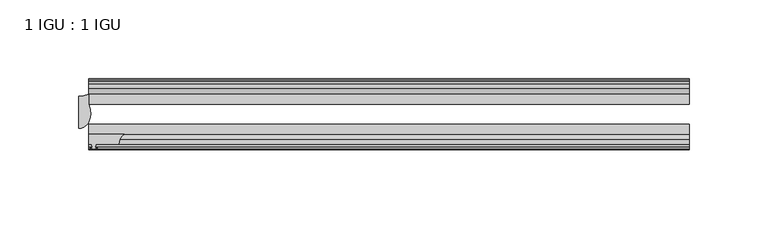
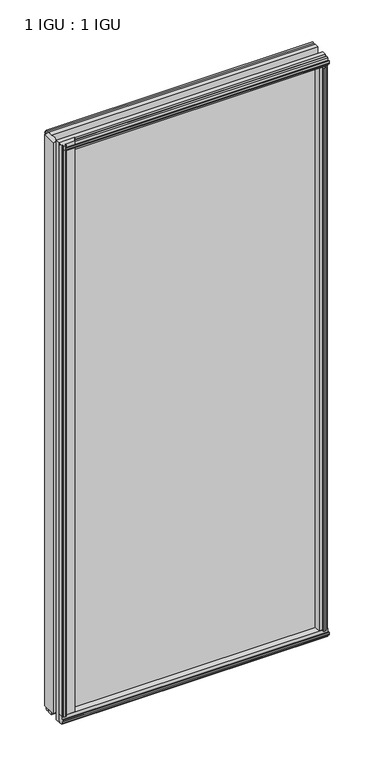
"""IFC4 building model written with IfcOpenShell, lengths in millimetres: plate geometry, 1 IGU : 1 IGU."""

from ifc_helpers import new_model, si_unit, point, frame, frame_2d, origin, origin_with_axes, place, context, project, spatial, polyline, circle_curve, ellipse_curve, trimmed, segment, composite_curve, outline, extrude, source, transform, mapped, element, save
from ifc_brep_helpers import plane_surface, cylinder_surface, revolved_surface, extruded_surface, advanced_brep


def plate_1_igu_1_igu_27563dd9(model_context):
    return source(origin(), model_context, "Body", "SolidModel", [
        extrude(outline(composite_curve([segment(trimmed(circle_curve(frame_2d((-167.1484021, -51.2493858)), 7.4386445), [point((-171.0983314, -44.9460937))], [point((-174.5869, -51.2960937))], True, "CARTESIAN"), True, "CONTINUOUS"), segment(polyline([(-174.5869, -51.2960937), (-189.1919, -51.2960937), (-189.5094, -53.4006957), (-188.3034941, -53.0775742), (-188.3034941, -53.8927506), (-190.4619, -54.4710937), (-192.6203059, -53.8927506), (-192.6203059, -53.0775742), (-191.4144, -53.4006957), (-191.7319, -51.2960937), (-193.6369, -51.2960937), (-193.6369, -44.9460937), (-171.0983314, -44.9460937)]), True, "CONTINUOUS")], self_intersect=False)), origin_with_axes(), (0.0, 0.0, 1.0), 863.5872998),
        extrude(outline(polyline([(173.0011137, -19.5460937), (175.1063908, -13.1960937), (180.3135852, -13.1960937), (180.6945852, -10.8158968), (179.2790562, -11.27583), (179.2790562, -10.4746158), (181.4565852, -9.7670937), (183.6341143, -10.4746158), (183.6341143, -11.27583), (182.2185852, -10.8158968), (182.5995852, -13.1960937), (187.0445852, -13.1960937), (187.0445852, -16.1419073), (184.8315077, -19.5460937), (173.0011137, -19.5460937)])), origin_with_axes(), (0.0, 0.0, 1.0), 850.9),
        extrude(outline(polyline([(-16.1419073, -12.4576852), (-19.5460937, -10.2446077), (-19.5460937, 1.5857863), (-13.1960937, -0.5194908), (-13.1960937, -5.7266852), (-10.8158968, -6.1076852), (-11.27583, -4.6921562), (-10.4746158, -4.6921562), (-9.7670937, -6.8696852), (-10.4746158, -9.0472143), (-11.27583, -9.0472143), (-10.8158968, -7.6316852), (-13.1960937, -8.0126852), (-13.1960937, -12.4576852), (-16.1419073, -12.4576852)])), frame((-193.6369, 0.0, 0.0), z_axis=(1.0, 0.0, 0.0), x_axis=(0.0, 1.0, 0.0)), (0.0, 0.0, 1.0), 380.9238),
        extrude(outline(polyline([(-48.3502802, -11.938), (-51.2960937, -11.938), (-51.2960937, -7.493), (-53.6762907, -7.112), (-53.2163575, -8.5275291), (-54.0175717, -8.5275291), (-54.7250937, -6.35), (-54.0175717, -4.172471), (-53.2163575, -4.172471), (-53.6762907, -5.588), (-51.2960937, -5.207), (-51.2960937, 0.0001944), (-44.9460937, 2.1054715), (-44.9460937, -9.7249225), (-48.3502802, -11.938)])), frame((-193.6369, 0.0, 0.0), z_axis=(1.0, 0.0, 0.0), x_axis=(0.0, 1.0, 0.0)), (0.0, 0.0, 1.0), 380.9238),
        extrude(outline(polyline([(-16.1028367, 863.3576852), (-13.1960937, 863.3576852), (-13.1960937, 858.9126852), (-10.8158968, 858.5316852), (-11.27583, 859.9472143), (-10.4746158, 859.9472143), (-9.7670937, 857.7696852), (-10.4746158, 855.5921562), (-11.27583, 855.5921562), (-10.8158968, 857.0076852), (-13.1960937, 856.6266852), (-13.1960937, 851.3940908), (-19.5460937, 849.2888137), (-19.5460937, 861.1192077), (-16.1028367, 863.3576852)])), frame((-193.6369, 0.0, 0.0), z_axis=(1.0, 0.0, 0.0), x_axis=(0.0, 1.0, 0.0)), (0.0, 0.0, 1.0), 380.9238),
        extrude(outline(polyline([(-48.3893508, 862.8126), (-44.9460937, 860.5741225), (-44.9460937, 848.7437285), (-51.2960937, 850.8490056), (-51.2960937, 856.0816), (-53.6762907, 856.4626), (-53.2163575, 855.047071), (-54.0175717, 855.047071), (-54.7250938, 857.2246), (-54.0175717, 859.4021291), (-53.2163575, 859.4021291), (-53.6762907, 857.9866), (-51.2960937, 858.3676), (-51.2960937, 862.8126), (-48.3893508, 862.8126)])), frame((-193.6369, 0.0, 0.0), z_axis=(1.0, 0.0, 0.0), x_axis=(0.0, 1.0, 0.0)), (0.0, 0.0, 1.0), 380.9238),
        advanced_brep(
        [(-199.9869, -41.2564987, 863.5872998), (-192.4645628, -32.2460937, 863.5872998), (-193.6369, -25.8452937, 863.5872998), (-193.6369, -19.5460937, 863.5872998), (-199.9869, -20.7775816, 863.5872998), (-199.9869, -41.2564987, 0.0), (-199.9869, -20.7775816, 0.0), (-193.6369, -19.5460937, 0.0), (-193.6369, -25.8452937, 0.0), (-192.4645628, -32.2460937, 0.0)],
        [
            (0, 1, ellipse_curve(frame((-199.9869, -32.2460937, 863.5872998), z_axis=(0.0, 0.0, 1.0), x_axis=(0.0, 1.0, 0.0)), 9.010405, 7.5223372)),
            (1, 2, circle_curve(frame((-210.5244763, -32.2460937, 863.5872998), z_axis=(0.0, 0.0, 1.0), x_axis=(0.0, 1.0, 0.0)), 18.0599135)),
            (2, 3),
            (3, 4, circle_curve(frame((-199.9869, -3.7903806, 863.5872998), z_axis=(0.0, 0.0, -1.0), x_axis=(0.0, 1.0, 0.0)), 16.987201)),
            (4, 0),
            (5, 6),
            (6, 7, circle_curve(frame((-199.9869, -3.7903806, 0.0), z_axis=(0.0, 0.0, 1.0), x_axis=(0.0, 1.0, 0.0)), 16.987201)),
            (7, 8),
            (8, 9, circle_curve(frame((-210.5244763, -32.2460937, 0.0), z_axis=(0.0, 0.0, -1.0), x_axis=(0.0, 1.0, 0.0)), 18.0599135)),
            (9, 5, ellipse_curve(frame((-199.9869, -32.2460937, 0.0), z_axis=(0.0, 0.0, -1.0), x_axis=(0.0, 1.0, 0.0)), 9.010405, 7.5223372)),
            (0, 5),
            (9, 1),
            (4, 6),
            (8, 2),
            (7, 3),
        ],
        [
            plane_surface(frame((-174.5869, -13.1960937, 863.5872998), z_axis=(0.0, 0.0, 1.0), x_axis=(0.0, 1.0, 0.0))),
            plane_surface(frame((-174.5869, -13.1960937, 0.0), z_axis=(0.0, 0.0, -1.0), x_axis=(0.0, 1.0, 0.0))),
            extruded_surface(trimmed(ellipse_curve(frame((-199.9869, -32.2460937, 0.0), z_axis=(0.0, 0.0, 1.0), x_axis=(0.0, 1.0, 0.0)), 9.010405, 7.5223372), [point((-199.9869, -41.2564987, 0.0))], [point((-192.4645628, -32.2460937, 0.0))], True, "CARTESIAN"), (0.0, 0.0, 863.5872998), 863.5872998),
            plane_surface(frame((-199.9869, -20.7775816, 863.5872998), z_axis=(-1.0, 0.0, 0.0), x_axis=(0.0, 0.0, -1.0))),
            cylinder_surface(frame((-210.5244763, -32.2460937, 863.5872998), z_axis=(0.0, 0.0, 1.0), x_axis=(0.0, 1.0, 0.0)), 18.0599135),
            plane_surface(frame((-193.6369, -25.8452937, 863.5872998), z_axis=(1.0, 0.0, 0.0), x_axis=(0.0, 0.0, -1.0))),
            revolved_surface(polyline([(-199.9869, 13.196820399999998, 0.0), (-199.9869, 13.196820399999998, 863.5872998)]), (-199.9869, -3.7903806, 863.5872998), (0.0, 0.0, -1.0)),
        ],
        [
            (0, [[1, 2, 3, 4, 5]]),
            (1, [[6, 7, 8, 9, 10]]),
            (2, [[-1, 11, -10, 12]]),
            (3, [[-5, 13, -6, -11]]),
            (4, [[-2, -12, -9, 14]]),
            (5, [[-3, -14, -8, 15]]),
            (6, [[-4, -15, -7, -13]]),
        ],
    ),
        extrude(outline(polyline([(172.4814285, -44.9460938), (184.3118225, -44.9460938), (186.5249, -48.3502802), (186.5249, -51.2960938), (182.0799, -51.2960938), (181.6989, -53.6762907), (183.1144291, -53.2163575), (183.1144291, -54.0175717), (180.9369, -54.7250938), (178.759371, -54.0175717), (178.759371, -53.2163575), (180.1749, -53.6762907), (179.7939, -51.2960938), (174.5867056, -51.2960938), (172.4814285, -44.9460938)])), origin_with_axes(), (0.0, 0.0, 1.0), 850.9),
        extrude(outline(polyline([(187.2869, -19.5460937), (187.2869, -25.8337453), (-193.6369, -25.8337453), (-193.6369, -19.5460937), (187.2869, -19.5460937)])), frame((0.0, 0.0, -12.7), z_axis=(0.0, 0.0, 1.0), x_axis=(1.0, 0.0, 0.0)), (0.0, 0.0, 1.0), 876.2872998),
        extrude(outline(polyline([(-193.6369, -44.9460937), (-193.6369, -38.6468938), (187.2869, -38.6468938), (187.2869, -44.9460937), (-193.6369, -44.9460937)])), frame((0.0, 0.0, -12.7), z_axis=(0.0, 0.0, 1.0), x_axis=(1.0, 0.0, 0.0)), (0.0, 0.0, 1.0), 876.2872998),
    ])


if __name__ == "__main__":
    model = new_model("IFC4")
    model_context = context("Model", 3, world=origin())
    ifc_project = project(units=[si_unit("LENGTHUNIT", "METRE", prefix="MILLI")], contexts=[model_context])
    site = spatial("IfcSite", under=ifc_project)
    building = spatial("IfcBuilding", under=site)
    placement = place(None, origin())
    plate_1_igu_1_igu_shape = plate_1_igu_1_igu_27563dd9(model_context)
    element("IfcPlate", 1, ObjectType="1 IGU : 1 IGU", at=placement, inside=building, context=model_context, shape_type="MappedRepresentation", body=[
        mapped(plate_1_igu_1_igu_shape, transform((0.0, 0.0, 0.0), x_axis=(1.0, 0.0, 0.0), y_axis=(0.0, 1.0, 0.0), z_axis=(0.0, 0.0, 1.0))),
    ])
    save(model, "model.ifc")
